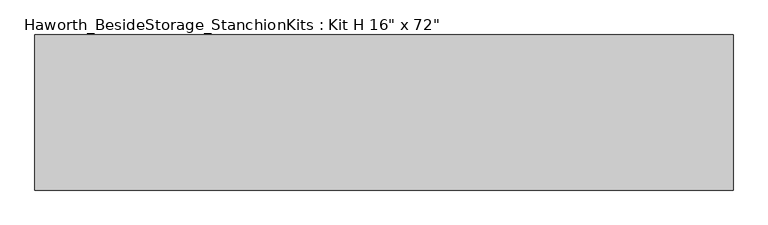
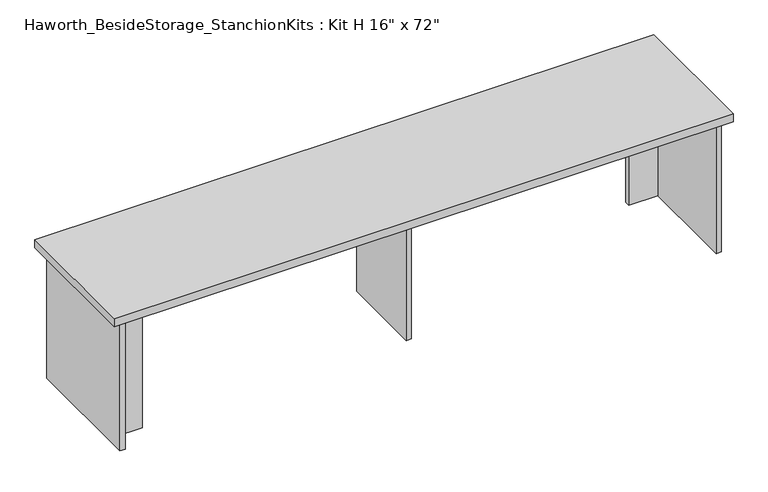
"""IFC4 building model written with IfcOpenShell, lengths in millimetres: furniture geometry."""

from ifc_helpers import new_model, si_unit, frame, origin, place, context, project, spatial, polyline, outline, extrude, source, transform, mapped, element, save


def furniture_6e038f31(model_context):
    return source(origin(), model_context, "Body", "SweptSolid", [
        extrude(outline(polyline([(1076.325, 0.0), (1076.325, -406.4), (-752.475, -406.4), (-752.475, 0.0), (1076.325, 0.0)])), frame((0.0, 0.0, 838.2), z_axis=(0.0, 0.0, 1.0), x_axis=(1.0, 0.0, 0.0)), (0.0, 0.0, 1.0), 25.4),
        extrude(outline(polyline([(949.325, -76.2), (1035.05, -76.2), (1035.05, -92.075), (949.325, -92.075), (949.325, -76.2)])), frame((0.0, 0.0, 431.8), z_axis=(0.0, 0.0, 1.0), x_axis=(1.0, 0.0, 0.0)), (0.0, 0.0, 1.0), 406.4),
        extrude(outline(polyline([(-625.475, -314.325), (-625.475, -330.2), (-711.2, -330.2), (-711.2, -314.325), (-625.475, -314.325)])), frame((0.0, 0.0, 431.8), z_axis=(0.0, 0.0, 1.0), x_axis=(1.0, 0.0, 0.0)), (0.0, 0.0, 1.0), 406.4),
        extrude(outline(polyline([(169.8625, -330.2), (153.9875, -330.2), (153.9875, -76.2), (169.8625, -76.2), (169.8625, -330.2)])), frame((0.0, 0.0, 431.8), z_axis=(0.0, 0.0, 1.0), x_axis=(1.0, 0.0, 0.0)), (0.0, 0.0, 1.0), 406.4),
        extrude(outline(polyline([(1050.925, -390.525), (1035.05, -390.525), (1035.05, -15.875), (1050.925, -15.875), (1050.925, -390.525)])), frame((0.0, 0.0, 431.8), z_axis=(0.0, 0.0, 1.0), x_axis=(1.0, 0.0, 0.0)), (0.0, 0.0, 1.0), 406.4),
        extrude(outline(polyline([(-711.2, -390.525), (-727.075, -390.525), (-727.075, -15.875), (-711.2, -15.875), (-711.2, -390.525)])), frame((0.0, 0.0, 431.8), z_axis=(0.0, 0.0, 1.0), x_axis=(1.0, 0.0, 0.0)), (0.0, 0.0, 1.0), 406.4),
    ])


if __name__ == "__main__":
    model = new_model("IFC4")
    model_context = context("Model", 3, world=origin())
    ifc_project = project(units=[si_unit("LENGTHUNIT", "METRE", prefix="MILLI")], contexts=[model_context])
    site = spatial("IfcSite", under=ifc_project)
    building = spatial("IfcBuilding", under=site)
    placement = place(None, origin())
    furniture_shape = furniture_6e038f31(model_context)
    element("IfcFurniture", 1, ObjectType="Haworth_BesideStorage_StanchionKits : Kit H 16\" x 72\"", at=placement, inside=building, context=model_context, shape_type="MappedRepresentation", body=[
        mapped(furniture_shape, transform((0.0, 0.0, 0.0), x_axis=(1.0, 0.0, 0.0), y_axis=(0.0, 1.0, 0.0), z_axis=(0.0, 0.0, 1.0))),
    ])
    save(model, "model.ifc")
